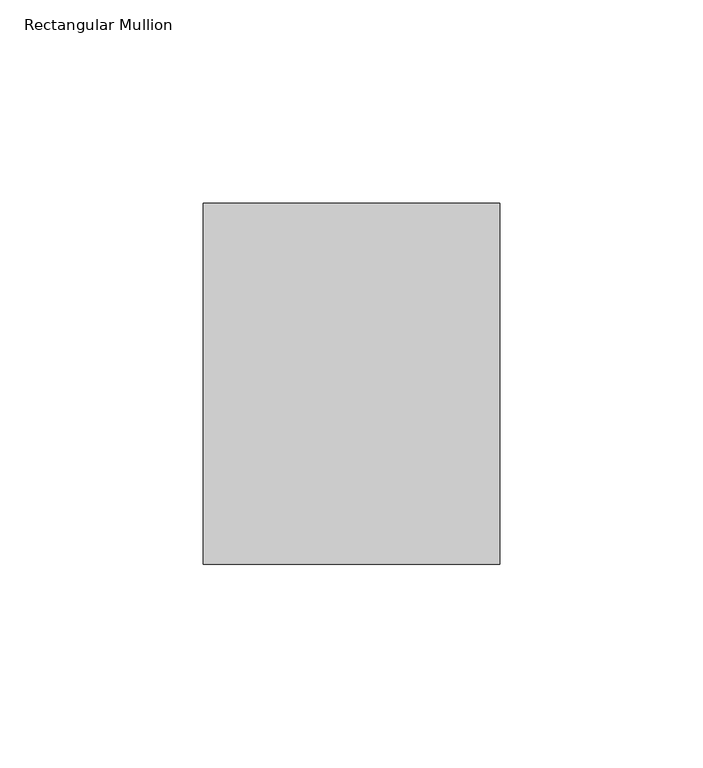
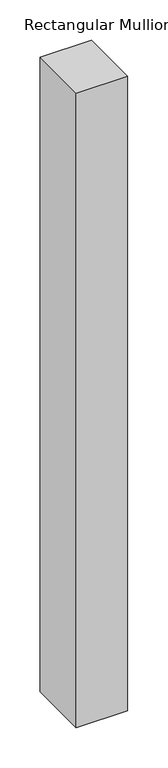
"""IFC4 building model written with IfcOpenShell, lengths in millimetres: member geometry, Rectangular Mullion."""

from ifc_helpers import new_model, si_unit, frame, origin, place, context, project, spatial, polyline, outline, extrude, source, transform, mapped, element, save


def rectangular_mullion_a68162ae(model_context):
    return source(origin(), model_context, "Body", "SweptSolid", [
        extrude(outline(polyline([(0.0, 44.45), (0.0, -44.45), (-73.025, -44.45), (-73.025, 44.45), (0.0, 44.45)])), frame((0.0, 0.0, -957.2625), z_axis=(0.0, 0.0, 1.0), x_axis=(1.0, 0.0, 0.0)), (0.0, 0.0, 1.0), 957.2625),
    ])


if __name__ == "__main__":
    model = new_model("IFC4")
    model_context = context("Model", 3, world=origin())
    ifc_project = project(units=[si_unit("LENGTHUNIT", "METRE", prefix="MILLI")], contexts=[model_context])
    site = spatial("IfcSite", under=ifc_project)
    building = spatial("IfcBuilding", under=site)
    placement = place(None, origin())
    rectangular_mullion_shape = rectangular_mullion_a68162ae(model_context)
    element("IfcMember", 1, ObjectType="Rectangular Mullion", at=placement, inside=building, context=model_context, shape_type="MappedRepresentation", body=[
        mapped(rectangular_mullion_shape, transform((0.0, 0.0, 0.0), x_axis=(1.0, 0.0, 0.0), y_axis=(0.0, 1.0, 0.0), z_axis=(0.0, 0.0, 1.0))),
    ])
    save(model, "model.ifc")
